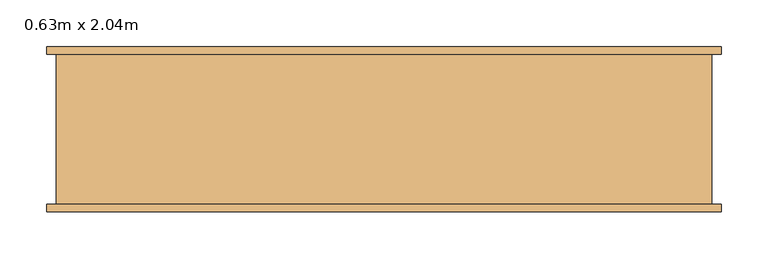
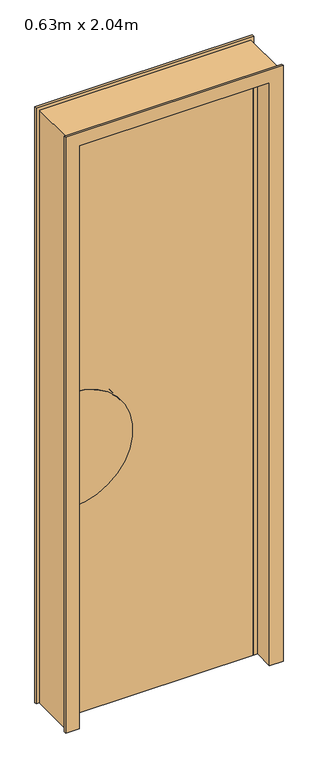
"""IFC4 building model written with IfcOpenShell, lengths in millimetres: door geometry, 0.63m x 2.04m."""

from ifc_helpers import new_model, si_unit, point, frame, frame_2d, origin, origin_with_axes, place, context, project, spatial, polyline, circle_curve, trimmed, segment, composite_curve, outline, extrude, faceted_brep, source, transform, mapped, element, save


def door_0_63m_x_2_04m_71a9e9ad(model_context):
    return source(origin(), model_context, "Body", "SolidModel", [
        faceted_brep([(-350.0, 80.0, 0.0), (-360.0, 80.0, 0.0), (-360.0, 88.0, 0.0), (-315.0, 88.0, 0.0), (-315.0, 20.0, 0.0), (-300.0, 20.0, 0.0), (-300.0, -20.0, 0.0), (-315.0, -20.0, 0.0), (-315.0, -88.0, 0.0), (-360.0, -88.0, 0.0), (-360.0, -80.0, 0.0), (-350.0, -80.0, 0.0), (-350.0, -80.0, 2075.0), (-350.0, 80.0, 2075.0), (-360.0, -80.0, 2085.0), (360.0, -80.0, 2085.0), (360.0, -80.0, 0.0), (350.0, -80.0, 0.0), (350.0, -80.0, 2075.0), (-360.0, -88.0, 2085.0), (-315.0, -88.0, 2040.0), (315.0, -88.0, 2040.0), (315.0, -88.0, 0.0), (360.0, -88.0, 0.0), (360.0, -88.0, 2085.0), (-315.0, -20.0, 2040.0), (-300.0, -20.0, 2025.0), (300.0, -20.0, 2025.0), (300.0, -20.0, 0.0), (315.0, -20.0, 0.0), (315.0, -20.0, 2040.0), (-300.0, 20.0, 2025.0), (-315.0, 20.0, 2040.0), (315.0, 20.0, 2040.0), (315.0, 20.0, 0.0), (300.0, 20.0, 0.0), (300.0, 20.0, 2025.0), (-315.0, 88.0, 2040.0), (-360.0, 88.0, 2085.0), (360.0, 88.0, 2085.0), (360.0, 88.0, 0.0), (315.0, 88.0, 0.0), (315.0, 88.0, 2040.0), (-360.0, 80.0, 2085.0), (350.0, 80.0, 2075.0), (350.0, 80.0, 0.0), (360.0, 80.0, 0.0), (360.0, 80.0, 2085.0)], [[[0, 1, 2, 3, 4, 5, 6, 7, 8, 9, 10, 11]], [[11, 12, 13, 0]], [[10, 14, 15, 16, 17, 18, 12, 11]], [[9, 19, 14, 10]], [[8, 20, 21, 22, 23, 24, 19, 9]], [[7, 25, 20, 8]], [[6, 26, 27, 28, 29, 30, 25, 7]], [[5, 31, 26, 6]], [[4, 32, 33, 34, 35, 36, 31, 5]], [[3, 37, 32, 4]], [[2, 38, 39, 40, 41, 42, 37, 3]], [[1, 43, 38, 2]], [[0, 13, 44, 45, 46, 47, 43, 1]], [[18, 17, 45, 44]], [[45, 17, 16, 23, 22, 29, 28, 35, 34, 41, 40, 46]], [[24, 23, 16, 15]], [[30, 29, 22, 21]], [[36, 35, 28, 27]], [[42, 41, 34, 33]], [[47, 46, 40, 39]], [[12, 18, 44, 13]], [[19, 24, 15, 14]], [[25, 30, 21, 20]], [[31, 36, 27, 26]], [[37, 42, 33, 32]], [[43, 47, 39, 38]]]),
        extrude(outline(polyline([(300.0, 20.0), (300.0, -20.0), (-300.0, -20.0), (-300.0, 20.0), (300.0, 20.0)])), origin_with_axes(), (0.0, 0.0, 1.0), 2025.0),
        extrude(outline(composite_curve([segment(polyline([(1130.0, -300.0), (730.0, -300.0)]), True, "CONTINUOUS"), segment(trimmed(circle_curve(frame_2d((930.0, -300.0)), 200.0), [point((730.0, -300.0))], [point((1130.0, -300.0))], False, "CARTESIAN"), True, "CONTINUOUS")], self_intersect=False)), frame((0.0, -22.0, 0.0), z_axis=(0.0, 1.0, 0.0), x_axis=(0.0, 0.0, 1.0)), (0.0, 0.0, 1.0), 2.0),
        extrude(outline(composite_curve([segment(trimmed(circle_curve(frame_2d((930.0, -300.0)), 200.0), [point((730.0, -300.0))], [point((1130.0, -300.0))], False, "CARTESIAN"), True, "CONTINUOUS"), segment(polyline([(1130.0, -300.0), (730.0, -300.0)]), True, "CONTINUOUS")], self_intersect=False)), frame((0.0, 20.0, 0.0), z_axis=(0.0, 1.0, 0.0), x_axis=(0.0, 0.0, 1.0)), (0.0, 0.0, 1.0), 2.0),
    ])


if __name__ == "__main__":
    model = new_model("IFC4")
    model_context = context("Model", 3, world=origin())
    ifc_project = project(units=[si_unit("LENGTHUNIT", "METRE", prefix="MILLI")], contexts=[model_context])
    site = spatial("IfcSite", under=ifc_project)
    building = spatial("IfcBuilding", under=site)
    placement = place(None, origin())
    door_0_63m_x_2_04m_shape = door_0_63m_x_2_04m_71a9e9ad(model_context)
    element("IfcDoor", 1, ObjectType="0.63m x 2.04m", at=placement, inside=building, context=model_context, shape_type="MappedRepresentation", body=[
        mapped(door_0_63m_x_2_04m_shape, transform((0.0, 0.0, 0.0), x_axis=(1.0, 0.0, 0.0), y_axis=(0.0, 1.0, 0.0), z_axis=(0.0, 0.0, 1.0))),
    ])
    save(model, "model.ifc")
